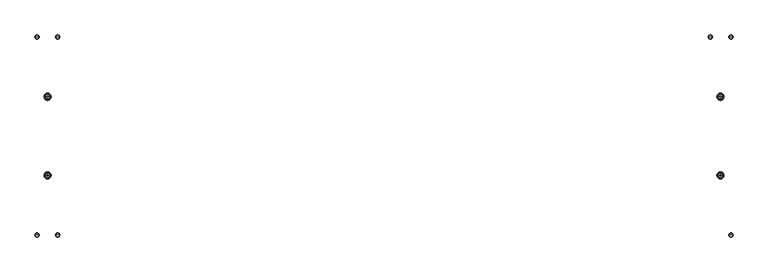
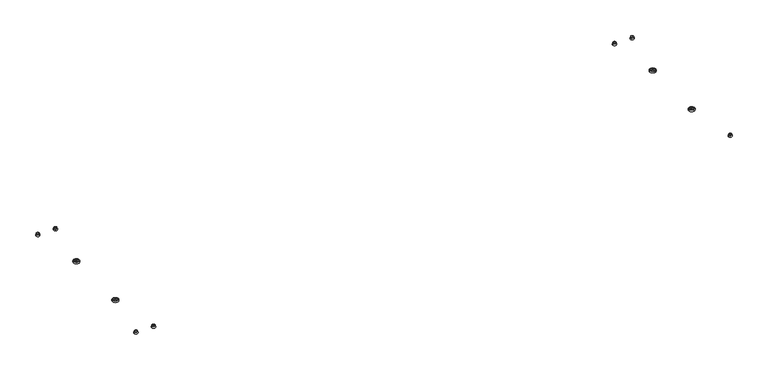
"""IFC4 building model written with IfcOpenShell, lengths in millimetres: furniture geometry."""

from ifc_helpers import new_model, si_unit, point, frame, origin, place, context, project, spatial, polyline, circle_curve, ellipse_curve, trimmed, source, transform, mapped, element, save
from ifc_brep_helpers import plane_surface, cylinder_surface, revolved_surface, advanced_brep


def furniture_c0f4c3c8(model_context):
    return source(origin(), model_context, "Body", "AdvancedBrep", [
        advanced_brep(
        [(-1454.6011124, 171.2765566, 0.0), (-1475.5052411, 171.2765566, 0.0), (-1465.0531767, 171.2765566, 0.0), (-1450.6523116, 171.2765566, 1.6446239), (-1479.4540419, 171.2765566, 1.6446239), (-1450.6523116, 171.2765566, 8.3798159), (-1479.4540419, 171.2765566, 8.3798159), (-1454.0015257, 171.2765566, 9.7747202), (-1476.1048277, 171.2765566, 9.7747202), (-1462.0335936, 171.2765566, 9.7747202), (-1468.0727599, 171.2765566, 9.7747202), (-1462.0335936, 171.2765566, 13.2486394), (-1468.0727599, 171.2765566, 13.2486394), (-1465.0531767, 171.2765566, 13.2486394)],
        [
            (0, 1, circle_curve(frame((-1465.0531767, 171.2765566, 0.0), z_axis=(0.0, 0.0, -1.0), x_axis=(-1.0, 0.0, 0.0)), 10.4520643)),
            (1, 2),
            (2, 0),
            (1, 0, circle_curve(frame((-1465.0531767, 171.2765566, 0.0), z_axis=(0.0, 0.0, -1.0), x_axis=(-1.0, 0.0, 0.0)), 10.4520643)),
            (3, 4, circle_curve(frame((-1465.0531767, 171.2765566, 1.6446239), z_axis=(0.0, 0.0, -1.0), x_axis=(-1.0, 0.0, 0.0)), 14.4008652)),
            (4, 1),
            (0, 3),
            (4, 3, circle_curve(frame((-1465.0531767, 171.2765566, 1.6446239), z_axis=(0.0, 0.0, -1.0), x_axis=(-1.0, 0.0, 0.0)), 14.4008652)),
            (5, 6, circle_curve(frame((-1465.0531767, 171.2765566, 8.3798159), z_axis=(0.0, 0.0, -1.0), x_axis=(-1.0, 0.0, 0.0)), 14.4008652)),
            (6, 4, circle_curve(frame((-1476.0597586, 171.2765566, 5.0122199), z_axis=(0.0, -1.0, 0.0), x_axis=(1.0, 0.0, 0.0)), 4.7814079)),
            (3, 5, circle_curve(frame((-1454.0465949, 171.2765566, 5.0122199), z_axis=(0.0, -1.0, 0.0), x_axis=(-1.0, 0.0, 0.0)), 4.7814079)),
            (6, 5, circle_curve(frame((-1465.0531767, 171.2765566, 8.3798159), z_axis=(0.0, 0.0, -1.0), x_axis=(-1.0, 0.0, 0.0)), 14.4008652)),
            (7, 8, circle_curve(frame((-1465.0531767, 171.2765566, 9.7747202), z_axis=(0.0, 0.0, -1.0), x_axis=(-1.0, 0.0, 0.0)), 11.051651)),
            (8, 6),
            (5, 7),
            (8, 7, circle_curve(frame((-1465.0531767, 171.2765566, 9.7747202), z_axis=(0.0, 0.0, -1.0), x_axis=(-1.0, 0.0, 0.0)), 11.051651)),
            (9, 10, circle_curve(frame((-1465.0531767, 171.2765566, 9.7747202), z_axis=(0.0, 0.0, -1.0), x_axis=(-1.0, 0.0, 0.0)), 3.0195831)),
            (10, 8),
            (7, 9),
            (10, 9, circle_curve(frame((-1465.0531767, 171.2765566, 9.7747202), z_axis=(0.0, 0.0, -1.0), x_axis=(-1.0, 0.0, 0.0)), 3.0195831)),
            (11, 12, circle_curve(frame((-1465.0531767, 171.2765566, 13.2486394), z_axis=(0.0, 0.0, -1.0), x_axis=(-1.0, 0.0, 0.0)), 3.0195831)),
            (12, 10),
            (9, 11),
            (12, 11, circle_curve(frame((-1465.0531767, 171.2765566, 13.2486394), z_axis=(0.0, 0.0, -1.0), x_axis=(-1.0, 0.0, 0.0)), 3.0195831)),
            (13, 12),
            (11, 13),
        ],
        [
            plane_surface(frame((-1465.0531767, 171.2765566, 0.0), z_axis=(0.0, 0.0, -1.0), x_axis=(-1.0, 0.0, 0.0))),
            revolved_surface(polyline([(-1475.5052411, 171.2765566, 0.0), (-1479.4540419, 171.2765566, 1.6446239)]), (-1465.0531767, 171.2765566, 13.2486394), (0.0, 0.0, 1.0)),
            revolved_surface(trimmed(ellipse_curve(frame((-1476.0597586, 171.2765566, 5.0122199), z_axis=(0.0, 1.0, 0.0), x_axis=(1.0, 0.0, 0.0)), 4.7814079, 4.7814079), [point((-1479.4540419, 171.2765566, 1.6446239))], [point((-1479.4540419, 171.2765566, 8.3798159))], True, "CARTESIAN"), (-1465.0531767, 171.2765566, 13.2486394), (0.0, 0.0, 1.0)),
            revolved_surface(polyline([(-1479.4540419, 171.2765566, 8.3798159), (-1476.1048277, 171.2765566, 9.7747202)]), (-1465.0531767, 171.2765566, 13.2486394), (0.0, 0.0, 1.0)),
            plane_surface(frame((-1465.0531767, 171.2765566, 9.7747202), z_axis=(0.0, 0.0, 1.0), x_axis=(-1.0, 0.0, 0.0))),
            cylinder_surface(frame((-1465.0531767, 171.2765566, 13.2486394), z_axis=(0.0, 0.0, 1.0), x_axis=(-1.0, 0.0, 0.0)), 3.0195831),
            plane_surface(frame((-1465.0531767, 171.2765566, 13.2486394), z_axis=(0.0, 0.0, 1.0), x_axis=(-1.0, 0.0, 0.0))),
        ],
        [
            (0, [[1, 2, 3]]),
            (0, [[4, -3, -2]]),
            (1, [[5, 6, -1, 7]]),
            (1, [[8, -7, -4, -6]]),
            (2, [[9, 10, -5, 11]]),
            (2, [[12, -11, -8, -10]]),
            (3, [[13, 14, -9, 15]]),
            (3, [[16, -15, -12, -14]]),
            (4, [[17, 18, -13, 19]]),
            (4, [[20, -19, -16, -18]]),
            (5, [[21, 22, -17, 23]]),
            (5, [[24, -23, -20, -22]]),
            (6, [[25, -21, 26]]),
            (6, [[-26, -24, -25]]),
        ],
    ),
        advanced_brep(
        [(-1510.8031458, 432.0000014, 13.2486394), (-1517.8031546, 432.0000014, 13.2486394), (-1503.8031371, 432.0000014, 13.2486394), (-1506.144048, 432.0000014, 0.0), (-1515.4622436, 432.0000014, 0.0), (-1510.8031458, 432.0000014, 0.0), (-1502.8507243, 432.0000014, 1.394624), (-1518.7555674, 432.0000014, 1.394624), (-1502.8507243, 432.0000014, 8.1298158), (-1518.7555674, 432.0000014, 8.1298158), (-1506.6760347, 432.0000014, 9.7497206), (-1514.930257, 432.0000014, 9.7497206), (-1503.8031371, 432.0000014, 9.7497206), (-1517.8031546, 432.0000014, 9.7497206)],
        [
            (0, 1),
            (1, 2, circle_curve(frame((-1510.8031458, 432.0000014, 13.2486394), z_axis=(0.0, 0.0, 1.0), x_axis=(-1.0, 0.0, 0.0)), 7.0000088)),
            (2, 0),
            (2, 1, circle_curve(frame((-1510.8031458, 432.0000014, 13.2486394), z_axis=(0.0, 0.0, 1.0), x_axis=(-1.0, 0.0, 0.0)), 7.0000088)),
            (3, 4, circle_curve(frame((-1510.8031458, 432.0000014, 0.0), z_axis=(0.0, 0.0, -1.0), x_axis=(-1.0, 0.0, 0.0)), 4.6590978)),
            (4, 5),
            (5, 3),
            (4, 3, circle_curve(frame((-1510.8031458, 432.0000014, 0.0), z_axis=(0.0, 0.0, -1.0), x_axis=(-1.0, 0.0, 0.0)), 4.6590978)),
            (6, 7, circle_curve(frame((-1510.8031458, 432.0000014, 1.394624), z_axis=(0.0, 0.0, -1.0), x_axis=(-1.0, 0.0, 0.0)), 7.9524216)),
            (7, 4),
            (3, 6),
            (7, 6, circle_curve(frame((-1510.8031458, 432.0000014, 1.394624), z_axis=(0.0, 0.0, -1.0), x_axis=(-1.0, 0.0, 0.0)), 7.9524216)),
            (8, 9, circle_curve(frame((-1510.8031458, 432.0000014, 8.1298158), z_axis=(0.0, 0.0, -1.0), x_axis=(-1.0, 0.0, 0.0)), 7.9524216)),
            (9, 7, circle_curve(frame((-1515.2820202, 432.0000014, 4.7622199), z_axis=(0.0, -1.0, 0.0), x_axis=(1.0, 0.0, 0.0)), 4.8379988)),
            (6, 8, circle_curve(frame((-1506.3242715, 432.0000014, 4.7622199), z_axis=(0.0, -1.0, 0.0), x_axis=(-1.0, 0.0, 0.0)), 4.8379988)),
            (9, 8, circle_curve(frame((-1510.8031458, 432.0000014, 8.1298158), z_axis=(0.0, 0.0, -1.0), x_axis=(-1.0, 0.0, 0.0)), 7.9524216)),
            (10, 11, circle_curve(frame((-1510.8031458, 432.0000014, 9.7497206), z_axis=(0.0, 0.0, -1.0), x_axis=(-1.0, 0.0, 0.0)), 4.1271111)),
            (11, 9),
            (8, 10),
            (11, 10, circle_curve(frame((-1510.8031458, 432.0000014, 9.7497206), z_axis=(0.0, 0.0, -1.0), x_axis=(-1.0, 0.0, 0.0)), 4.1271111)),
            (12, 13, circle_curve(frame((-1510.8031458, 432.0000014, 9.7497206), z_axis=(0.0, 0.0, -1.0), x_axis=(-1.0, 0.0, 0.0)), 7.0000088)),
            (13, 11),
            (10, 12),
            (13, 12, circle_curve(frame((-1510.8031458, 432.0000014, 9.7497206), z_axis=(0.0, 0.0, -1.0), x_axis=(-1.0, 0.0, 0.0)), 7.0000088)),
            (1, 13),
            (12, 2),
        ],
        [
            plane_surface(frame((-1510.8031458, 432.0000014, 13.2486394), z_axis=(0.0, 0.0, 1.0), x_axis=(-1.0, 0.0, 0.0))),
            plane_surface(frame((-1510.8031458, 432.0000014, 0.0), z_axis=(0.0, 0.0, -1.0), x_axis=(-1.0, 0.0, 0.0))),
            revolved_surface(polyline([(-1515.4622436, 432.0000014, 0.0), (-1518.7555674, 432.0000014, 1.394624)]), (-1510.8031458, 432.0000014, 13.2486394), (0.0, 0.0, 1.0)),
            revolved_surface(trimmed(ellipse_curve(frame((-1515.2820202, 432.0000014, 4.7622199), z_axis=(0.0, 1.0, 0.0), x_axis=(1.0, 0.0, 0.0)), 4.8379988, 4.8379988), [point((-1518.7555674, 432.0000014, 1.394624))], [point((-1518.7555674, 432.0000014, 8.1298158))], True, "CARTESIAN"), (-1510.8031458, 432.0000014, 13.2486394), (0.0, 0.0, 1.0)),
            revolved_surface(polyline([(-1518.7555674, 432.0000014, 8.1298158), (-1514.930257, 432.0000014, 9.7497206)]), (-1510.8031458, 432.0000014, 13.2486394), (0.0, 0.0, 1.0)),
            plane_surface(frame((-1510.8031458, 432.0000014, 9.7497206), z_axis=(0.0, 0.0, -1.0), x_axis=(-1.0, 0.0, 0.0))),
            cylinder_surface(frame((-1510.8031458, 432.0000014, 13.2486394), z_axis=(0.0, 0.0, 1.0), x_axis=(-1.0, 0.0, 0.0)), 7.0000088),
        ],
        [
            (0, [[1, 2, 3]]),
            (0, [[-3, 4, -1]]),
            (1, [[5, 6, 7]]),
            (1, [[8, -7, -6]]),
            (2, [[9, 10, -5, 11]]),
            (2, [[12, -11, -8, -10]]),
            (3, [[13, 14, -9, 15]]),
            (3, [[16, -15, -12, -14]]),
            (4, [[17, 18, -13, 19]]),
            (4, [[20, -19, -16, -18]]),
            (5, [[21, 22, -17, 23]]),
            (5, [[24, -23, -20, -22]]),
            (6, [[-2, 25, -21, 26]]),
            (6, [[-4, -26, -24, -25]]),
        ],
    ),
        advanced_brep(
        [(-1421.3032309, 432.0000014, 13.2486394), (-1428.3032397, 432.0000014, 13.2486394), (-1414.3032221, 432.0000014, 13.2486394), (-1416.6441331, 432.0000014, 0.0), (-1425.9623287, 432.0000014, 0.0), (-1421.3032309, 432.0000014, 0.0), (-1413.3508093, 432.0000014, 1.394624), (-1429.2556525, 432.0000014, 1.394624), (-1413.3508093, 432.0000014, 8.1298158), (-1429.2556525, 432.0000014, 8.1298158), (-1417.1761198, 432.0000014, 9.7497206), (-1425.430342, 432.0000014, 9.7497206), (-1414.3032221, 432.0000014, 9.7497206), (-1428.3032397, 432.0000014, 9.7497206)],
        [
            (0, 1),
            (1, 2, circle_curve(frame((-1421.3032309, 432.0000014, 13.2486394), z_axis=(0.0, 0.0, 1.0), x_axis=(-1.0, 0.0, 0.0)), 7.0000088)),
            (2, 0),
            (2, 1, circle_curve(frame((-1421.3032309, 432.0000014, 13.2486394), z_axis=(0.0, 0.0, 1.0), x_axis=(-1.0, 0.0, 0.0)), 7.0000088)),
            (3, 4, circle_curve(frame((-1421.3032309, 432.0000014, 0.0), z_axis=(0.0, 0.0, -1.0), x_axis=(-1.0, 0.0, 0.0)), 4.6590978)),
            (4, 5),
            (5, 3),
            (4, 3, circle_curve(frame((-1421.3032309, 432.0000014, 0.0), z_axis=(0.0, 0.0, -1.0), x_axis=(-1.0, 0.0, 0.0)), 4.6590978)),
            (6, 7, circle_curve(frame((-1421.3032309, 432.0000014, 1.394624), z_axis=(0.0, 0.0, -1.0), x_axis=(-1.0, 0.0, 0.0)), 7.9524216)),
            (7, 4),
            (3, 6),
            (7, 6, circle_curve(frame((-1421.3032309, 432.0000014, 1.394624), z_axis=(0.0, 0.0, -1.0), x_axis=(-1.0, 0.0, 0.0)), 7.9524216)),
            (8, 9, circle_curve(frame((-1421.3032309, 432.0000014, 8.1298158), z_axis=(0.0, 0.0, -1.0), x_axis=(-1.0, 0.0, 0.0)), 7.9524216)),
            (9, 7, circle_curve(frame((-1425.7821053, 432.0000014, 4.7622199), z_axis=(0.0, -1.0, 0.0), x_axis=(1.0, 0.0, 0.0)), 4.8379988)),
            (6, 8, circle_curve(frame((-1416.8243565, 432.0000014, 4.7622199), z_axis=(0.0, -1.0, 0.0), x_axis=(-1.0, 0.0, 0.0)), 4.8379988)),
            (9, 8, circle_curve(frame((-1421.3032309, 432.0000014, 8.1298158), z_axis=(0.0, 0.0, -1.0), x_axis=(-1.0, 0.0, 0.0)), 7.9524216)),
            (10, 11, circle_curve(frame((-1421.3032309, 432.0000014, 9.7497206), z_axis=(0.0, 0.0, -1.0), x_axis=(-1.0, 0.0, 0.0)), 4.1271111)),
            (11, 9),
            (8, 10),
            (11, 10, circle_curve(frame((-1421.3032309, 432.0000014, 9.7497206), z_axis=(0.0, 0.0, -1.0), x_axis=(-1.0, 0.0, 0.0)), 4.1271111)),
            (12, 13, circle_curve(frame((-1421.3032309, 432.0000014, 9.7497206), z_axis=(0.0, 0.0, -1.0), x_axis=(-1.0, 0.0, 0.0)), 7.0000088)),
            (13, 11),
            (10, 12),
            (13, 12, circle_curve(frame((-1421.3032309, 432.0000014, 9.7497206), z_axis=(0.0, 0.0, -1.0), x_axis=(-1.0, 0.0, 0.0)), 7.0000088)),
            (1, 13),
            (12, 2),
        ],
        [
            plane_surface(frame((-1421.3032309, 432.0000014, 13.2486394), z_axis=(0.0, 0.0, 1.0), x_axis=(-1.0, 0.0, 0.0))),
            plane_surface(frame((-1421.3032309, 432.0000014, 0.0), z_axis=(0.0, 0.0, -1.0), x_axis=(-1.0, 0.0, 0.0))),
            revolved_surface(polyline([(-1425.9623287, 432.0000014, 0.0), (-1429.2556525, 432.0000014, 1.394624)]), (-1421.3032309, 432.0000014, 13.2486394), (0.0, 0.0, 1.0)),
            revolved_surface(trimmed(ellipse_curve(frame((-1425.7821053, 432.0000014, 4.7622199), z_axis=(0.0, 1.0, 0.0), x_axis=(1.0, 0.0, 0.0)), 4.8379988, 4.8379988), [point((-1429.2556525, 432.0000014, 1.394624))], [point((-1429.2556525, 432.0000014, 8.1298158))], True, "CARTESIAN"), (-1421.3032309, 432.0000014, 13.2486394), (0.0, 0.0, 1.0)),
            revolved_surface(polyline([(-1429.2556525, 432.0000014, 8.1298158), (-1425.430342, 432.0000014, 9.7497206)]), (-1421.3032309, 432.0000014, 13.2486394), (0.0, 0.0, 1.0)),
            plane_surface(frame((-1421.3032309, 432.0000014, 9.7497206), z_axis=(0.0, 0.0, -1.0), x_axis=(-1.0, 0.0, 0.0))),
            cylinder_surface(frame((-1421.3032309, 432.0000014, 13.2486394), z_axis=(0.0, 0.0, 1.0), x_axis=(-1.0, 0.0, 0.0)), 7.0000088),
        ],
        [
            (0, [[1, 2, 3]]),
            (0, [[-3, 4, -1]]),
            (1, [[5, 6, 7]]),
            (1, [[8, -7, -6]]),
            (2, [[9, 10, -5, 11]]),
            (2, [[12, -11, -8, -10]]),
            (3, [[13, 14, -9, 15]]),
            (3, [[16, -15, -12, -14]]),
            (4, [[17, 18, -13, 19]]),
            (4, [[20, -19, -16, -18]]),
            (5, [[21, 22, -17, 23]]),
            (5, [[24, -23, -20, -22]]),
            (6, [[-2, 25, -21, 26]]),
            (6, [[-4, -26, -24, -25]]),
        ],
    ),
        advanced_brep(
        [(-1454.6011124, -171.6234434, 0.0), (-1475.5052411, -171.6234434, 0.0), (-1465.0531767, -171.6234434, 0.0), (-1450.6523116, -171.6234434, 1.6446239), (-1479.4540419, -171.6234434, 1.6446239), (-1450.6523116, -171.6234434, 8.3798159), (-1479.4540419, -171.6234434, 8.3798159), (-1454.0015257, -171.6234434, 9.7747202), (-1476.1048277, -171.6234434, 9.7747202), (-1462.0335936, -171.6234434, 9.7747202), (-1468.0727599, -171.6234434, 9.7747202), (-1462.0335936, -171.6234434, 13.2486394), (-1468.0727599, -171.6234434, 13.2486394), (-1465.0531767, -171.6234434, 13.2486394)],
        [
            (0, 1, circle_curve(frame((-1465.0531767, -171.6234434, 0.0), z_axis=(0.0, 0.0, -1.0), x_axis=(-1.0, 0.0, 0.0)), 10.4520643)),
            (1, 2),
            (2, 0),
            (1, 0, circle_curve(frame((-1465.0531767, -171.6234434, 0.0), z_axis=(0.0, 0.0, -1.0), x_axis=(-1.0, 0.0, 0.0)), 10.4520643)),
            (3, 4, circle_curve(frame((-1465.0531767, -171.6234434, 1.6446239), z_axis=(0.0, 0.0, -1.0), x_axis=(-1.0, 0.0, 0.0)), 14.4008652)),
            (4, 1),
            (0, 3),
            (4, 3, circle_curve(frame((-1465.0531767, -171.6234434, 1.6446239), z_axis=(0.0, 0.0, -1.0), x_axis=(-1.0, 0.0, 0.0)), 14.4008652)),
            (5, 6, circle_curve(frame((-1465.0531767, -171.6234434, 8.3798159), z_axis=(0.0, 0.0, -1.0), x_axis=(-1.0, 0.0, 0.0)), 14.4008652)),
            (6, 4, circle_curve(frame((-1476.0597586, -171.6234434, 5.0122199), z_axis=(0.0, -1.0, 0.0), x_axis=(1.0, 0.0, 0.0)), 4.7814079)),
            (3, 5, circle_curve(frame((-1454.0465949, -171.6234434, 5.0122199), z_axis=(0.0, -1.0, 0.0), x_axis=(-1.0, 0.0, 0.0)), 4.7814079)),
            (6, 5, circle_curve(frame((-1465.0531767, -171.6234434, 8.3798159), z_axis=(0.0, 0.0, -1.0), x_axis=(-1.0, 0.0, 0.0)), 14.4008652)),
            (7, 8, circle_curve(frame((-1465.0531767, -171.6234434, 9.7747202), z_axis=(0.0, 0.0, -1.0), x_axis=(-1.0, 0.0, 0.0)), 11.051651)),
            (8, 6),
            (5, 7),
            (8, 7, circle_curve(frame((-1465.0531767, -171.6234434, 9.7747202), z_axis=(0.0, 0.0, -1.0), x_axis=(-1.0, 0.0, 0.0)), 11.051651)),
            (9, 10, circle_curve(frame((-1465.0531767, -171.6234434, 9.7747202), z_axis=(0.0, 0.0, -1.0), x_axis=(-1.0, 0.0, 0.0)), 3.0195831)),
            (10, 8),
            (7, 9),
            (10, 9, circle_curve(frame((-1465.0531767, -171.6234434, 9.7747202), z_axis=(0.0, 0.0, -1.0), x_axis=(-1.0, 0.0, 0.0)), 3.0195831)),
            (11, 12, circle_curve(frame((-1465.0531767, -171.6234434, 13.2486394), z_axis=(0.0, 0.0, -1.0), x_axis=(-1.0, 0.0, 0.0)), 3.0195831)),
            (12, 10),
            (9, 11),
            (12, 11, circle_curve(frame((-1465.0531767, -171.6234434, 13.2486394), z_axis=(0.0, 0.0, -1.0), x_axis=(-1.0, 0.0, 0.0)), 3.0195831)),
            (13, 12),
            (11, 13),
        ],
        [
            plane_surface(frame((-1465.0531767, -171.6234434, 0.0), z_axis=(0.0, 0.0, -1.0), x_axis=(-1.0, 0.0, 0.0))),
            revolved_surface(polyline([(-1475.5052411, -171.6234434, 0.0), (-1479.4540419, -171.6234434, 1.6446239)]), (-1465.0531767, -171.6234434, 13.2486394), (0.0, 0.0, 1.0)),
            revolved_surface(trimmed(ellipse_curve(frame((-1476.0597586, -171.6234434, 5.0122199), z_axis=(0.0, 1.0, 0.0), x_axis=(1.0, 0.0, 0.0)), 4.7814079, 4.7814079), [point((-1479.4540419, -171.6234434, 1.6446239))], [point((-1479.4540419, -171.6234434, 8.3798159))], True, "CARTESIAN"), (-1465.0531767, -171.6234434, 13.2486394), (0.0, 0.0, 1.0)),
            revolved_surface(polyline([(-1479.4540419, -171.6234434, 8.3798159), (-1476.1048277, -171.6234434, 9.7747202)]), (-1465.0531767, -171.6234434, 13.2486394), (0.0, 0.0, 1.0)),
            plane_surface(frame((-1465.0531767, -171.6234434, 9.7747202), z_axis=(0.0, 0.0, 1.0), x_axis=(-1.0, 0.0, 0.0))),
            cylinder_surface(frame((-1465.0531767, -171.6234434, 13.2486394), z_axis=(0.0, 0.0, 1.0), x_axis=(-1.0, 0.0, 0.0)), 3.0195831),
            plane_surface(frame((-1465.0531767, -171.6234434, 13.2486394), z_axis=(0.0, 0.0, 1.0), x_axis=(-1.0, 0.0, 0.0))),
        ],
        [
            (0, [[1, 2, 3]]),
            (0, [[4, -3, -2]]),
            (1, [[5, 6, -1, 7]]),
            (1, [[8, -7, -4, -6]]),
            (2, [[9, 10, -5, 11]]),
            (2, [[12, -11, -8, -10]]),
            (3, [[13, 14, -9, 15]]),
            (3, [[16, -15, -12, -14]]),
            (4, [[17, 18, -13, 19]]),
            (4, [[20, -19, -16, -18]]),
            (5, [[21, 22, -17, 23]]),
            (5, [[24, -23, -20, -22]]),
            (6, [[25, -21, 26]]),
            (6, [[-26, -24, -25]]),
        ],
    ),
        advanced_brep(
        [(-1510.8031458, -431.9999999, 13.2486394), (-1517.8031546, -431.9999999, 13.2486394), (-1503.8031371, -431.9999999, 13.2486394), (-1506.144048, -431.9999999, 0.0), (-1515.4622436, -431.9999999, 0.0), (-1510.8031458, -431.9999999, 0.0), (-1502.8507243, -431.9999999, 1.394624), (-1518.7555674, -431.9999999, 1.394624), (-1502.8507243, -431.9999999, 8.1298158), (-1518.7555674, -431.9999999, 8.1298158), (-1506.6760347, -431.9999999, 9.7497206), (-1514.930257, -431.9999999, 9.7497206), (-1503.8031371, -431.9999999, 9.7497206), (-1517.8031546, -431.9999999, 9.7497206)],
        [
            (0, 1),
            (1, 2, circle_curve(frame((-1510.8031458, -431.9999999, 13.2486394), z_axis=(0.0, 0.0, 1.0), x_axis=(-1.0, 0.0, 0.0)), 7.0000088)),
            (2, 0),
            (2, 1, circle_curve(frame((-1510.8031458, -431.9999999, 13.2486394), z_axis=(0.0, 0.0, 1.0), x_axis=(-1.0, 0.0, 0.0)), 7.0000088)),
            (3, 4, circle_curve(frame((-1510.8031458, -431.9999999, 0.0), z_axis=(0.0, 0.0, -1.0), x_axis=(-1.0, 0.0, 0.0)), 4.6590978)),
            (4, 5),
            (5, 3),
            (4, 3, circle_curve(frame((-1510.8031458, -431.9999999, 0.0), z_axis=(0.0, 0.0, -1.0), x_axis=(-1.0, 0.0, 0.0)), 4.6590978)),
            (6, 7, circle_curve(frame((-1510.8031458, -431.9999999, 1.394624), z_axis=(0.0, 0.0, -1.0), x_axis=(-1.0, 0.0, 0.0)), 7.9524216)),
            (7, 4),
            (3, 6),
            (7, 6, circle_curve(frame((-1510.8031458, -431.9999999, 1.394624), z_axis=(0.0, 0.0, -1.0), x_axis=(-1.0, 0.0, 0.0)), 7.9524216)),
            (8, 9, circle_curve(frame((-1510.8031458, -431.9999999, 8.1298158), z_axis=(0.0, 0.0, -1.0), x_axis=(-1.0, 0.0, 0.0)), 7.9524216)),
            (9, 7, circle_curve(frame((-1515.2820202, -431.9999999, 4.7622199), z_axis=(0.0, -1.0, 0.0), x_axis=(1.0, 0.0, 0.0)), 4.8379988)),
            (6, 8, circle_curve(frame((-1506.3242715, -431.9999999, 4.7622199), z_axis=(0.0, -1.0, 0.0), x_axis=(-1.0, 0.0, 0.0)), 4.8379988)),
            (9, 8, circle_curve(frame((-1510.8031458, -431.9999999, 8.1298158), z_axis=(0.0, 0.0, -1.0), x_axis=(-1.0, 0.0, 0.0)), 7.9524216)),
            (10, 11, circle_curve(frame((-1510.8031458, -431.9999999, 9.7497206), z_axis=(0.0, 0.0, -1.0), x_axis=(-1.0, 0.0, 0.0)), 4.1271111)),
            (11, 9),
            (8, 10),
            (11, 10, circle_curve(frame((-1510.8031458, -431.9999999, 9.7497206), z_axis=(0.0, 0.0, -1.0), x_axis=(-1.0, 0.0, 0.0)), 4.1271111)),
            (12, 13, circle_curve(frame((-1510.8031458, -431.9999999, 9.7497206), z_axis=(0.0, 0.0, -1.0), x_axis=(-1.0, 0.0, 0.0)), 7.0000088)),
            (13, 11),
            (10, 12),
            (13, 12, circle_curve(frame((-1510.8031458, -431.9999999, 9.7497206), z_axis=(0.0, 0.0, -1.0), x_axis=(-1.0, 0.0, 0.0)), 7.0000088)),
            (1, 13),
            (12, 2),
        ],
        [
            plane_surface(frame((-1510.8031458, -431.9999999, 13.2486394), z_axis=(0.0, 0.0, 1.0), x_axis=(-1.0, 0.0, 0.0))),
            plane_surface(frame((-1510.8031458, -431.9999999, 0.0), z_axis=(0.0, 0.0, -1.0), x_axis=(-1.0, 0.0, 0.0))),
            revolved_surface(polyline([(-1515.4622436, -431.9999999, 0.0), (-1518.7555674, -431.9999999, 1.394624)]), (-1510.8031458, -431.9999999, 13.2486394), (0.0, 0.0, 1.0)),
            revolved_surface(trimmed(ellipse_curve(frame((-1515.2820202, -431.9999999, 4.7622199), z_axis=(0.0, 1.0, 0.0), x_axis=(1.0, 0.0, 0.0)), 4.8379988, 4.8379988), [point((-1518.7555674, -431.9999999, 1.394624))], [point((-1518.7555674, -431.9999999, 8.1298158))], True, "CARTESIAN"), (-1510.8031458, -431.9999999, 13.2486394), (0.0, 0.0, 1.0)),
            revolved_surface(polyline([(-1518.7555674, -431.9999999, 8.1298158), (-1514.930257, -431.9999999, 9.7497206)]), (-1510.8031458, -431.9999999, 13.2486394), (0.0, 0.0, 1.0)),
            plane_surface(frame((-1510.8031458, -431.9999999, 9.7497206), z_axis=(0.0, 0.0, -1.0), x_axis=(-1.0, 0.0, 0.0))),
            cylinder_surface(frame((-1510.8031458, -431.9999999, 13.2486394), z_axis=(0.0, 0.0, 1.0), x_axis=(-1.0, 0.0, 0.0)), 7.0000088),
        ],
        [
            (0, [[1, 2, 3]]),
            (0, [[-3, 4, -1]]),
            (1, [[5, 6, 7]]),
            (1, [[8, -7, -6]]),
            (2, [[9, 10, -5, 11]]),
            (2, [[12, -11, -8, -10]]),
            (3, [[13, 14, -9, 15]]),
            (3, [[16, -15, -12, -14]]),
            (4, [[17, 18, -13, 19]]),
            (4, [[20, -19, -16, -18]]),
            (5, [[21, 22, -17, 23]]),
            (5, [[24, -23, -20, -22]]),
            (6, [[-2, 25, -21, 26]]),
            (6, [[-4, -26, -24, -25]]),
        ],
    ),
        advanced_brep(
        [(-1421.3032309, -431.9999999, 13.2486394), (-1428.3032397, -431.9999999, 13.2486394), (-1414.3032221, -431.9999999, 13.2486394), (-1416.6441331, -431.9999999, 0.0), (-1425.9623287, -431.9999999, 0.0), (-1421.3032309, -431.9999999, 0.0), (-1413.3508093, -431.9999999, 1.394624), (-1429.2556525, -431.9999999, 1.394624), (-1413.3508093, -431.9999999, 8.1298158), (-1429.2556525, -431.9999999, 8.1298158), (-1417.1761198, -431.9999999, 9.7497206), (-1425.430342, -431.9999999, 9.7497206), (-1414.3032221, -431.9999999, 9.7497206), (-1428.3032397, -431.9999999, 9.7497206)],
        [
            (0, 1),
            (1, 2, circle_curve(frame((-1421.3032309, -431.9999999, 13.2486394), z_axis=(0.0, 0.0, 1.0), x_axis=(-1.0, 0.0, 0.0)), 7.0000088)),
            (2, 0),
            (2, 1, circle_curve(frame((-1421.3032309, -431.9999999, 13.2486394), z_axis=(0.0, 0.0, 1.0), x_axis=(-1.0, 0.0, 0.0)), 7.0000088)),
            (3, 4, circle_curve(frame((-1421.3032309, -431.9999999, 0.0), z_axis=(0.0, 0.0, -1.0), x_axis=(-1.0, 0.0, 0.0)), 4.6590978)),
            (4, 5),
            (5, 3),
            (4, 3, circle_curve(frame((-1421.3032309, -431.9999999, 0.0), z_axis=(0.0, 0.0, -1.0), x_axis=(-1.0, 0.0, 0.0)), 4.6590978)),
            (6, 7, circle_curve(frame((-1421.3032309, -431.9999999, 1.394624), z_axis=(0.0, 0.0, -1.0), x_axis=(-1.0, 0.0, 0.0)), 7.9524216)),
            (7, 4),
            (3, 6),
            (7, 6, circle_curve(frame((-1421.3032309, -431.9999999, 1.394624), z_axis=(0.0, 0.0, -1.0), x_axis=(-1.0, 0.0, 0.0)), 7.9524216)),
            (8, 9, circle_curve(frame((-1421.3032309, -431.9999999, 8.1298158), z_axis=(0.0, 0.0, -1.0), x_axis=(-1.0, 0.0, 0.0)), 7.9524216)),
            (9, 7, circle_curve(frame((-1425.7821053, -431.9999999, 4.7622199), z_axis=(0.0, -1.0, 0.0), x_axis=(1.0, 0.0, 0.0)), 4.8379988)),
            (6, 8, circle_curve(frame((-1416.8243565, -431.9999999, 4.7622199), z_axis=(0.0, -1.0, 0.0), x_axis=(-1.0, 0.0, 0.0)), 4.8379988)),
            (9, 8, circle_curve(frame((-1421.3032309, -431.9999999, 8.1298158), z_axis=(0.0, 0.0, -1.0), x_axis=(-1.0, 0.0, 0.0)), 7.9524216)),
            (10, 11, circle_curve(frame((-1421.3032309, -431.9999999, 9.7497206), z_axis=(0.0, 0.0, -1.0), x_axis=(-1.0, 0.0, 0.0)), 4.1271111)),
            (11, 9),
            (8, 10),
            (11, 10, circle_curve(frame((-1421.3032309, -431.9999999, 9.7497206), z_axis=(0.0, 0.0, -1.0), x_axis=(-1.0, 0.0, 0.0)), 4.1271111)),
            (12, 13, circle_curve(frame((-1421.3032309, -431.9999999, 9.7497206), z_axis=(0.0, 0.0, -1.0), x_axis=(-1.0, 0.0, 0.0)), 7.0000088)),
            (13, 11),
            (10, 12),
            (13, 12, circle_curve(frame((-1421.3032309, -431.9999999, 9.7497206), z_axis=(0.0, 0.0, -1.0), x_axis=(-1.0, 0.0, 0.0)), 7.0000088)),
            (1, 13),
            (12, 2),
        ],
        [
            plane_surface(frame((-1421.3032309, -431.9999999, 13.2486394), z_axis=(0.0, 0.0, 1.0), x_axis=(-1.0, 0.0, 0.0))),
            plane_surface(frame((-1421.3032309, -431.9999999, 0.0), z_axis=(0.0, 0.0, -1.0), x_axis=(-1.0, 0.0, 0.0))),
            revolved_surface(polyline([(-1425.9623287, -431.9999999, 0.0), (-1429.2556525, -431.9999999, 1.394624)]), (-1421.3032309, -431.9999999, 13.2486394), (0.0, 0.0, 1.0)),
            revolved_surface(trimmed(ellipse_curve(frame((-1425.7821053, -431.9999999, 4.7622199), z_axis=(0.0, 1.0, 0.0), x_axis=(1.0, 0.0, 0.0)), 4.8379988, 4.8379988), [point((-1429.2556525, -431.9999999, 1.394624))], [point((-1429.2556525, -431.9999999, 8.1298158))], True, "CARTESIAN"), (-1421.3032309, -431.9999999, 13.2486394), (0.0, 0.0, 1.0)),
            revolved_surface(polyline([(-1429.2556525, -431.9999999, 8.1298158), (-1425.430342, -431.9999999, 9.7497206)]), (-1421.3032309, -431.9999999, 13.2486394), (0.0, 0.0, 1.0)),
            plane_surface(frame((-1421.3032309, -431.9999999, 9.7497206), z_axis=(0.0, 0.0, -1.0), x_axis=(-1.0, 0.0, 0.0))),
            cylinder_surface(frame((-1421.3032309, -431.9999999, 13.2486394), z_axis=(0.0, 0.0, 1.0), x_axis=(-1.0, 0.0, 0.0)), 7.0000088),
        ],
        [
            (0, [[1, 2, 3]]),
            (0, [[-3, 4, -1]]),
            (1, [[5, 6, 7]]),
            (1, [[8, -7, -6]]),
            (2, [[9, 10, -5, 11]]),
            (2, [[12, -11, -8, -10]]),
            (3, [[13, 14, -9, 15]]),
            (3, [[16, -15, -12, -14]]),
            (4, [[17, 18, -13, 19]]),
            (4, [[20, -19, -16, -18]]),
            (5, [[21, 22, -17, 23]]),
            (5, [[24, -23, -20, -22]]),
            (6, [[-2, 25, -21, 26]]),
            (6, [[-4, -26, -24, -25]]),
        ],
    ),
        advanced_brep(
        [(1465.0531767, 171.2765566, 0.0), (1475.5052411, 171.2765566, 0.0), (1454.6011124, 171.2765566, 0.0), (1479.4540419, 171.2765566, 1.6446239), (1450.6523116, 171.2765566, 1.6446239), (1479.4540419, 171.2765566, 8.3798159), (1450.6523116, 171.2765566, 8.3798159), (1476.1048277, 171.2765566, 9.7747202), (1454.0015257, 171.2765566, 9.7747202), (1468.0727599, 171.2765566, 9.7747202), (1462.0335936, 171.2765566, 9.7747202), (1468.0727599, 171.2765566, 13.2486394), (1462.0335936, 171.2765566, 13.2486394), (1465.0531767, 171.2765566, 13.2486394)],
        [
            (0, 1),
            (1, 2, circle_curve(frame((1465.0531767, 171.2765566, 0.0), z_axis=(0.0, 0.0, -1.0), x_axis=(1.0, 0.0, 0.0)), 10.4520643)),
            (2, 0),
            (2, 1, circle_curve(frame((1465.0531767, 171.2765566, 0.0), z_axis=(0.0, 0.0, -1.0), x_axis=(1.0, 0.0, 0.0)), 10.4520643)),
            (1, 3),
            (3, 4, circle_curve(frame((1465.0531767, 171.2765566, 1.6446239), z_axis=(0.0, 0.0, -1.0), x_axis=(1.0, 0.0, 0.0)), 14.4008652)),
            (4, 2),
            (4, 3, circle_curve(frame((1465.0531767, 171.2765566, 1.6446239), z_axis=(0.0, 0.0, -1.0), x_axis=(1.0, 0.0, 0.0)), 14.4008652)),
            (3, 5, circle_curve(frame((1476.0597586, 171.2765566, 5.0122199), z_axis=(0.0, -1.0, 0.0), x_axis=(-1.0, 0.0, 0.0)), 4.7814079)),
            (5, 6, circle_curve(frame((1465.0531767, 171.2765566, 8.3798159), z_axis=(0.0, 0.0, -1.0), x_axis=(1.0, 0.0, 0.0)), 14.4008652)),
            (6, 4, circle_curve(frame((1454.0465949, 171.2765566, 5.0122199), z_axis=(0.0, -1.0, 0.0), x_axis=(1.0, 0.0, 0.0)), 4.7814079)),
            (6, 5, circle_curve(frame((1465.0531767, 171.2765566, 8.3798159), z_axis=(0.0, 0.0, -1.0), x_axis=(1.0, 0.0, 0.0)), 14.4008652)),
            (5, 7),
            (7, 8, circle_curve(frame((1465.0531767, 171.2765566, 9.7747202), z_axis=(0.0, 0.0, -1.0), x_axis=(1.0, 0.0, 0.0)), 11.051651)),
            (8, 6),
            (8, 7, circle_curve(frame((1465.0531767, 171.2765566, 9.7747202), z_axis=(0.0, 0.0, -1.0), x_axis=(1.0, 0.0, 0.0)), 11.051651)),
            (7, 9),
            (9, 10, circle_curve(frame((1465.0531767, 171.2765566, 9.7747202), z_axis=(0.0, 0.0, -1.0), x_axis=(1.0, 0.0, 0.0)), 3.0195831)),
            (10, 8),
            (10, 9, circle_curve(frame((1465.0531767, 171.2765566, 9.7747202), z_axis=(0.0, 0.0, -1.0), x_axis=(1.0, 0.0, 0.0)), 3.0195831)),
            (9, 11),
            (11, 12, circle_curve(frame((1465.0531767, 171.2765566, 13.2486394), z_axis=(0.0, 0.0, -1.0), x_axis=(1.0, 0.0, 0.0)), 3.0195831)),
            (12, 10),
            (12, 11, circle_curve(frame((1465.0531767, 171.2765566, 13.2486394), z_axis=(0.0, 0.0, -1.0), x_axis=(1.0, 0.0, 0.0)), 3.0195831)),
            (11, 13),
            (13, 12),
        ],
        [
            plane_surface(frame((1465.0531767, 171.2765566, 0.0), z_axis=(0.0, 0.0, -1.0), x_axis=(1.0, 0.0, 0.0))),
            revolved_surface(polyline([(1479.4540419, 171.2765566, 1.6446239), (1475.5052411, 171.2765566, 0.0)]), (1465.0531767, 171.2765566, 13.2486394), (0.0, 0.0, -1.0)),
            revolved_surface(trimmed(ellipse_curve(frame((1476.0597586, 171.2765566, 5.0122199), z_axis=(0.0, 1.0, 0.0), x_axis=(-1.0, 0.0, 0.0)), 4.7814079, 4.7814079), [point((1479.4540419, 171.2765566, 8.3798159))], [point((1479.4540419, 171.2765566, 1.6446239))], True, "CARTESIAN"), (1465.0531767, 171.2765566, 13.2486394), (0.0, 0.0, -1.0)),
            revolved_surface(polyline([(1476.1048277, 171.2765566, 9.7747202), (1479.4540419, 171.2765566, 8.3798159)]), (1465.0531767, 171.2765566, 13.2486394), (0.0, 0.0, -1.0)),
            plane_surface(frame((1465.0531767, 171.2765566, 9.7747202), z_axis=(0.0, 0.0, 1.0), x_axis=(1.0, 0.0, 0.0))),
            cylinder_surface(frame((1465.0531767, 171.2765566, 13.2486394), z_axis=(0.0, 0.0, -1.0), x_axis=(1.0, 0.0, 0.0)), 3.0195831),
            plane_surface(frame((1465.0531767, 171.2765566, 13.2486394), z_axis=(0.0, 0.0, 1.0), x_axis=(1.0, 0.0, 0.0))),
        ],
        [
            (0, [[1, 2, 3]]),
            (0, [[-3, 4, -1]]),
            (1, [[-2, 5, 6, 7]]),
            (1, [[-4, -7, 8, -5]]),
            (2, [[-6, 9, 10, 11]]),
            (2, [[-8, -11, 12, -9]]),
            (3, [[-10, 13, 14, 15]]),
            (3, [[-12, -15, 16, -13]]),
            (4, [[-14, 17, 18, 19]]),
            (4, [[-16, -19, 20, -17]]),
            (5, [[-18, 21, 22, 23]]),
            (5, [[-20, -23, 24, -21]]),
            (6, [[-22, 25, 26]]),
            (6, [[-24, -26, -25]]),
        ],
    ),
        advanced_brep(
        [(1503.8031371, 432.0000014, 13.2486394), (1517.8031546, 432.0000014, 13.2486394), (1510.8031458, 432.0000014, 13.2486394), (1510.8031458, 432.0000014, 0.0), (1515.4622436, 432.0000014, 0.0), (1506.144048, 432.0000014, 0.0), (1518.7555674, 432.0000014, 1.394624), (1502.8507243, 432.0000014, 1.394624), (1518.7555674, 432.0000014, 8.1298158), (1502.8507243, 432.0000014, 8.1298158), (1514.930257, 432.0000014, 9.7497206), (1506.6760347, 432.0000014, 9.7497206), (1517.8031546, 432.0000014, 9.7497206), (1503.8031371, 432.0000014, 9.7497206)],
        [
            (0, 1, circle_curve(frame((1510.8031458, 432.0000014, 13.2486394), z_axis=(0.0, 0.0, 1.0), x_axis=(1.0, 0.0, 0.0)), 7.0000088)),
            (1, 2),
            (2, 0),
            (1, 0, circle_curve(frame((1510.8031458, 432.0000014, 13.2486394), z_axis=(0.0, 0.0, 1.0), x_axis=(1.0, 0.0, 0.0)), 7.0000088)),
            (3, 4),
            (4, 5, circle_curve(frame((1510.8031458, 432.0000014, 0.0), z_axis=(0.0, 0.0, -1.0), x_axis=(1.0, 0.0, 0.0)), 4.6590978)),
            (5, 3),
            (5, 4, circle_curve(frame((1510.8031458, 432.0000014, 0.0), z_axis=(0.0, 0.0, -1.0), x_axis=(1.0, 0.0, 0.0)), 4.6590978)),
            (4, 6),
            (6, 7, circle_curve(frame((1510.8031458, 432.0000014, 1.394624), z_axis=(0.0, 0.0, -1.0), x_axis=(1.0, 0.0, 0.0)), 7.9524216)),
            (7, 5),
            (7, 6, circle_curve(frame((1510.8031458, 432.0000014, 1.394624), z_axis=(0.0, 0.0, -1.0), x_axis=(1.0, 0.0, 0.0)), 7.9524216)),
            (6, 8, circle_curve(frame((1515.2820202, 432.0000014, 4.7622199), z_axis=(0.0, -1.0, 0.0), x_axis=(-1.0, 0.0, 0.0)), 4.8379988)),
            (8, 9, circle_curve(frame((1510.8031458, 432.0000014, 8.1298158), z_axis=(0.0, 0.0, -1.0), x_axis=(1.0, 0.0, 0.0)), 7.9524216)),
            (9, 7, circle_curve(frame((1506.3242715, 432.0000014, 4.7622199), z_axis=(0.0, -1.0, 0.0), x_axis=(1.0, 0.0, 0.0)), 4.8379988)),
            (9, 8, circle_curve(frame((1510.8031458, 432.0000014, 8.1298158), z_axis=(0.0, 0.0, -1.0), x_axis=(1.0, 0.0, 0.0)), 7.9524216)),
            (8, 10),
            (10, 11, circle_curve(frame((1510.8031458, 432.0000014, 9.7497206), z_axis=(0.0, 0.0, -1.0), x_axis=(1.0, 0.0, 0.0)), 4.1271111)),
            (11, 9),
            (11, 10, circle_curve(frame((1510.8031458, 432.0000014, 9.7497206), z_axis=(0.0, 0.0, -1.0), x_axis=(1.0, 0.0, 0.0)), 4.1271111)),
            (10, 12),
            (12, 13, circle_curve(frame((1510.8031458, 432.0000014, 9.7497206), z_axis=(0.0, 0.0, -1.0), x_axis=(1.0, 0.0, 0.0)), 7.0000088)),
            (13, 11),
            (13, 12, circle_curve(frame((1510.8031458, 432.0000014, 9.7497206), z_axis=(0.0, 0.0, -1.0), x_axis=(1.0, 0.0, 0.0)), 7.0000088)),
            (12, 1),
            (0, 13),
        ],
        [
            plane_surface(frame((1510.8031458, 432.0000014, 13.2486394), z_axis=(0.0, 0.0, 1.0), x_axis=(1.0, 0.0, 0.0))),
            plane_surface(frame((1510.8031458, 432.0000014, 0.0), z_axis=(0.0, 0.0, -1.0), x_axis=(1.0, 0.0, 0.0))),
            revolved_surface(polyline([(1518.7555674, 432.0000014, 1.394624), (1515.4622436, 432.0000014, 0.0)]), (1510.8031458, 432.0000014, 13.2486394), (0.0, 0.0, -1.0)),
            revolved_surface(trimmed(ellipse_curve(frame((1515.2820202, 432.0000014, 4.7622199), z_axis=(0.0, 1.0, 0.0), x_axis=(-1.0, 0.0, 0.0)), 4.8379988, 4.8379988), [point((1518.7555674, 432.0000014, 8.1298158))], [point((1518.7555674, 432.0000014, 1.394624))], True, "CARTESIAN"), (1510.8031458, 432.0000014, 13.2486394), (0.0, 0.0, -1.0)),
            revolved_surface(polyline([(1514.930257, 432.0000014, 9.7497206), (1518.7555674, 432.0000014, 8.1298158)]), (1510.8031458, 432.0000014, 13.2486394), (0.0, 0.0, -1.0)),
            plane_surface(frame((1510.8031458, 432.0000014, 9.7497206), z_axis=(0.0, 0.0, -1.0), x_axis=(1.0, 0.0, 0.0))),
            cylinder_surface(frame((1510.8031458, 432.0000014, 13.2486394), z_axis=(0.0, 0.0, -1.0), x_axis=(1.0, 0.0, 0.0)), 7.0000088),
        ],
        [
            (0, [[1, 2, 3]]),
            (0, [[4, -3, -2]]),
            (1, [[5, 6, 7]]),
            (1, [[-7, 8, -5]]),
            (2, [[-6, 9, 10, 11]]),
            (2, [[-8, -11, 12, -9]]),
            (3, [[-10, 13, 14, 15]]),
            (3, [[-12, -15, 16, -13]]),
            (4, [[-14, 17, 18, 19]]),
            (4, [[-16, -19, 20, -17]]),
            (5, [[-18, 21, 22, 23]]),
            (5, [[-20, -23, 24, -21]]),
            (6, [[-22, 25, -1, 26]]),
            (6, [[-24, -26, -4, -25]]),
        ],
    ),
        advanced_brep(
        [(1414.3032221, 432.0000014, 13.2486394), (1428.3032397, 432.0000014, 13.2486394), (1421.3032309, 432.0000014, 13.2486394), (1421.3032309, 432.0000014, 0.0), (1425.9623287, 432.0000014, 0.0), (1416.6441331, 432.0000014, 0.0), (1429.2556525, 432.0000014, 1.394624), (1413.3508093, 432.0000014, 1.394624), (1429.2556525, 432.0000014, 8.1298158), (1413.3508093, 432.0000014, 8.1298158), (1425.430342, 432.0000014, 9.7497206), (1417.1761198, 432.0000014, 9.7497206), (1428.3032397, 432.0000014, 9.7497206), (1414.3032221, 432.0000014, 9.7497206)],
        [
            (0, 1, circle_curve(frame((1421.3032309, 432.0000014, 13.2486394), z_axis=(0.0, 0.0, 1.0), x_axis=(1.0, 0.0, 0.0)), 7.0000088)),
            (1, 2),
            (2, 0),
            (1, 0, circle_curve(frame((1421.3032309, 432.0000014, 13.2486394), z_axis=(0.0, 0.0, 1.0), x_axis=(1.0, 0.0, 0.0)), 7.0000088)),
            (3, 4),
            (4, 5, circle_curve(frame((1421.3032309, 432.0000014, 0.0), z_axis=(0.0, 0.0, -1.0), x_axis=(1.0, 0.0, 0.0)), 4.6590978)),
            (5, 3),
            (5, 4, circle_curve(frame((1421.3032309, 432.0000014, 0.0), z_axis=(0.0, 0.0, -1.0), x_axis=(1.0, 0.0, 0.0)), 4.6590978)),
            (4, 6),
            (6, 7, circle_curve(frame((1421.3032309, 432.0000014, 1.394624), z_axis=(0.0, 0.0, -1.0), x_axis=(1.0, 0.0, 0.0)), 7.9524216)),
            (7, 5),
            (7, 6, circle_curve(frame((1421.3032309, 432.0000014, 1.394624), z_axis=(0.0, 0.0, -1.0), x_axis=(1.0, 0.0, 0.0)), 7.9524216)),
            (6, 8, circle_curve(frame((1425.7821053, 432.0000014, 4.7622199), z_axis=(0.0, -1.0, 0.0), x_axis=(-1.0, 0.0, 0.0)), 4.8379988)),
            (8, 9, circle_curve(frame((1421.3032309, 432.0000014, 8.1298158), z_axis=(0.0, 0.0, -1.0), x_axis=(1.0, 0.0, 0.0)), 7.9524216)),
            (9, 7, circle_curve(frame((1416.8243565, 432.0000014, 4.7622199), z_axis=(0.0, -1.0, 0.0), x_axis=(1.0, 0.0, 0.0)), 4.8379988)),
            (9, 8, circle_curve(frame((1421.3032309, 432.0000014, 8.1298158), z_axis=(0.0, 0.0, -1.0), x_axis=(1.0, 0.0, 0.0)), 7.9524216)),
            (8, 10),
            (10, 11, circle_curve(frame((1421.3032309, 432.0000014, 9.7497206), z_axis=(0.0, 0.0, -1.0), x_axis=(1.0, 0.0, 0.0)), 4.1271111)),
            (11, 9),
            (11, 10, circle_curve(frame((1421.3032309, 432.0000014, 9.7497206), z_axis=(0.0, 0.0, -1.0), x_axis=(1.0, 0.0, 0.0)), 4.1271111)),
            (10, 12),
            (12, 13, circle_curve(frame((1421.3032309, 432.0000014, 9.7497206), z_axis=(0.0, 0.0, -1.0), x_axis=(1.0, 0.0, 0.0)), 7.0000088)),
            (13, 11),
            (13, 12, circle_curve(frame((1421.3032309, 432.0000014, 9.7497206), z_axis=(0.0, 0.0, -1.0), x_axis=(1.0, 0.0, 0.0)), 7.0000088)),
            (12, 1),
            (0, 13),
        ],
        [
            plane_surface(frame((1421.3032309, 432.0000014, 13.2486394), z_axis=(0.0, 0.0, 1.0), x_axis=(1.0, 0.0, 0.0))),
            plane_surface(frame((1421.3032309, 432.0000014, 0.0), z_axis=(0.0, 0.0, -1.0), x_axis=(1.0, 0.0, 0.0))),
            revolved_surface(polyline([(1429.2556525, 432.0000014, 1.394624), (1425.9623287, 432.0000014, 0.0)]), (1421.3032309, 432.0000014, 13.2486394), (0.0, 0.0, -1.0)),
            revolved_surface(trimmed(ellipse_curve(frame((1425.7821053, 432.0000014, 4.7622199), z_axis=(0.0, 1.0, 0.0), x_axis=(-1.0, 0.0, 0.0)), 4.8379988, 4.8379988), [point((1429.2556525, 432.0000014, 8.1298158))], [point((1429.2556525, 432.0000014, 1.394624))], True, "CARTESIAN"), (1421.3032309, 432.0000014, 13.2486394), (0.0, 0.0, -1.0)),
            revolved_surface(polyline([(1425.430342, 432.0000014, 9.7497206), (1429.2556525, 432.0000014, 8.1298158)]), (1421.3032309, 432.0000014, 13.2486394), (0.0, 0.0, -1.0)),
            plane_surface(frame((1421.3032309, 432.0000014, 9.7497206), z_axis=(0.0, 0.0, -1.0), x_axis=(1.0, 0.0, 0.0))),
            cylinder_surface(frame((1421.3032309, 432.0000014, 13.2486394), z_axis=(0.0, 0.0, -1.0), x_axis=(1.0, 0.0, 0.0)), 7.0000088),
        ],
        [
            (0, [[1, 2, 3]]),
            (0, [[4, -3, -2]]),
            (1, [[5, 6, 7]]),
            (1, [[-7, 8, -5]]),
            (2, [[-6, 9, 10, 11]]),
            (2, [[-8, -11, 12, -9]]),
            (3, [[-10, 13, 14, 15]]),
            (3, [[-12, -15, 16, -13]]),
            (4, [[-14, 17, 18, 19]]),
            (4, [[-16, -19, 20, -17]]),
            (5, [[-18, 21, 22, 23]]),
            (5, [[-20, -23, 24, -21]]),
            (6, [[-22, 25, -1, 26]]),
            (6, [[-24, -26, -4, -25]]),
        ],
    ),
        advanced_brep(
        [(1465.0531767, -171.6234434, 0.0), (1475.5052411, -171.6234434, 0.0), (1454.6011124, -171.6234434, 0.0), (1479.4540419, -171.6234434, 1.6446239), (1450.6523116, -171.6234434, 1.6446239), (1479.4540419, -171.6234434, 8.3798159), (1450.6523116, -171.6234434, 8.3798159), (1476.1048277, -171.6234434, 9.7747202), (1454.0015257, -171.6234434, 9.7747202), (1468.0727599, -171.6234434, 9.7747202), (1462.0335936, -171.6234434, 9.7747202), (1468.0727599, -171.6234434, 13.2486394), (1462.0335936, -171.6234434, 13.2486394), (1465.0531767, -171.6234434, 13.2486394)],
        [
            (0, 1),
            (1, 2, circle_curve(frame((1465.0531767, -171.6234434, 0.0), z_axis=(0.0, 0.0, -1.0), x_axis=(1.0, 0.0, 0.0)), 10.4520643)),
            (2, 0),
            (2, 1, circle_curve(frame((1465.0531767, -171.6234434, 0.0), z_axis=(0.0, 0.0, -1.0), x_axis=(1.0, 0.0, 0.0)), 10.4520643)),
            (1, 3),
            (3, 4, circle_curve(frame((1465.0531767, -171.6234434, 1.6446239), z_axis=(0.0, 0.0, -1.0), x_axis=(1.0, 0.0, 0.0)), 14.4008652)),
            (4, 2),
            (4, 3, circle_curve(frame((1465.0531767, -171.6234434, 1.6446239), z_axis=(0.0, 0.0, -1.0), x_axis=(1.0, 0.0, 0.0)), 14.4008652)),
            (3, 5, circle_curve(frame((1476.0597586, -171.6234434, 5.0122199), z_axis=(0.0, -1.0, 0.0), x_axis=(-1.0, 0.0, 0.0)), 4.7814079)),
            (5, 6, circle_curve(frame((1465.0531767, -171.6234434, 8.3798159), z_axis=(0.0, 0.0, -1.0), x_axis=(1.0, 0.0, 0.0)), 14.4008652)),
            (6, 4, circle_curve(frame((1454.0465949, -171.6234434, 5.0122199), z_axis=(0.0, -1.0, 0.0), x_axis=(1.0, 0.0, 0.0)), 4.7814079)),
            (6, 5, circle_curve(frame((1465.0531767, -171.6234434, 8.3798159), z_axis=(0.0, 0.0, -1.0), x_axis=(1.0, 0.0, 0.0)), 14.4008652)),
            (5, 7),
            (7, 8, circle_curve(frame((1465.0531767, -171.6234434, 9.7747202), z_axis=(0.0, 0.0, -1.0), x_axis=(1.0, 0.0, 0.0)), 11.051651)),
            (8, 6),
            (8, 7, circle_curve(frame((1465.0531767, -171.6234434, 9.7747202), z_axis=(0.0, 0.0, -1.0), x_axis=(1.0, 0.0, 0.0)), 11.051651)),
            (7, 9),
            (9, 10, circle_curve(frame((1465.0531767, -171.6234434, 9.7747202), z_axis=(0.0, 0.0, -1.0), x_axis=(1.0, 0.0, 0.0)), 3.0195831)),
            (10, 8),
            (10, 9, circle_curve(frame((1465.0531767, -171.6234434, 9.7747202), z_axis=(0.0, 0.0, -1.0), x_axis=(1.0, 0.0, 0.0)), 3.0195831)),
            (9, 11),
            (11, 12, circle_curve(frame((1465.0531767, -171.6234434, 13.2486394), z_axis=(0.0, 0.0, -1.0), x_axis=(1.0, 0.0, 0.0)), 3.0195831)),
            (12, 10),
            (12, 11, circle_curve(frame((1465.0531767, -171.6234434, 13.2486394), z_axis=(0.0, 0.0, -1.0), x_axis=(1.0, 0.0, 0.0)), 3.0195831)),
            (11, 13),
            (13, 12),
        ],
        [
            plane_surface(frame((1465.0531767, -171.6234434, 0.0), z_axis=(0.0, 0.0, -1.0), x_axis=(1.0, 0.0, 0.0))),
            revolved_surface(polyline([(1479.4540419, -171.6234434, 1.6446239), (1475.5052411, -171.6234434, 0.0)]), (1465.0531767, -171.6234434, 13.2486394), (0.0, 0.0, -1.0)),
            revolved_surface(trimmed(ellipse_curve(frame((1476.0597586, -171.6234434, 5.0122199), z_axis=(0.0, 1.0, 0.0), x_axis=(-1.0, 0.0, 0.0)), 4.7814079, 4.7814079), [point((1479.4540419, -171.6234434, 8.3798159))], [point((1479.4540419, -171.6234434, 1.6446239))], True, "CARTESIAN"), (1465.0531767, -171.6234434, 13.2486394), (0.0, 0.0, -1.0)),
            revolved_surface(polyline([(1476.1048277, -171.6234434, 9.7747202), (1479.4540419, -171.6234434, 8.3798159)]), (1465.0531767, -171.6234434, 13.2486394), (0.0, 0.0, -1.0)),
            plane_surface(frame((1465.0531767, -171.6234434, 9.7747202), z_axis=(0.0, 0.0, 1.0), x_axis=(1.0, 0.0, 0.0))),
            cylinder_surface(frame((1465.0531767, -171.6234434, 13.2486394), z_axis=(0.0, 0.0, -1.0), x_axis=(1.0, 0.0, 0.0)), 3.0195831),
            plane_surface(frame((1465.0531767, -171.6234434, 13.2486394), z_axis=(0.0, 0.0, 1.0), x_axis=(1.0, 0.0, 0.0))),
        ],
        [
            (0, [[1, 2, 3]]),
            (0, [[-3, 4, -1]]),
            (1, [[-2, 5, 6, 7]]),
            (1, [[-4, -7, 8, -5]]),
            (2, [[-6, 9, 10, 11]]),
            (2, [[-8, -11, 12, -9]]),
            (3, [[-10, 13, 14, 15]]),
            (3, [[-12, -15, 16, -13]]),
            (4, [[-14, 17, 18, 19]]),
            (4, [[-16, -19, 20, -17]]),
            (5, [[-18, 21, 22, 23]]),
            (5, [[-20, -23, 24, -21]]),
            (6, [[-22, 25, 26]]),
            (6, [[-24, -26, -25]]),
        ],
    ),
        advanced_brep(
        [(1503.8031371, -431.9999999, 13.2486394), (1517.8031546, -431.9999999, 13.2486394), (1510.8031458, -431.9999999, 13.2486394), (1510.8031458, -431.9999999, 0.0), (1515.4622436, -431.9999999, 0.0), (1506.144048, -431.9999999, 0.0), (1518.7555674, -431.9999999, 1.394624), (1502.8507243, -431.9999999, 1.394624), (1518.7555674, -431.9999999, 8.1298158), (1502.8507243, -431.9999999, 8.1298158), (1514.930257, -431.9999999, 9.7497206), (1506.6760347, -431.9999999, 9.7497206), (1517.8031546, -431.9999999, 9.7497206), (1503.8031371, -431.9999999, 9.7497206)],
        [
            (0, 1, circle_curve(frame((1510.8031458, -431.9999999, 13.2486394), z_axis=(0.0, 0.0, 1.0), x_axis=(1.0, 0.0, 0.0)), 7.0000088)),
            (1, 2),
            (2, 0),
            (1, 0, circle_curve(frame((1510.8031458, -431.9999999, 13.2486394), z_axis=(0.0, 0.0, 1.0), x_axis=(1.0, 0.0, 0.0)), 7.0000088)),
            (3, 4),
            (4, 5, circle_curve(frame((1510.8031458, -431.9999999, 0.0), z_axis=(0.0, 0.0, -1.0), x_axis=(1.0, 0.0, 0.0)), 4.6590978)),
            (5, 3),
            (5, 4, circle_curve(frame((1510.8031458, -431.9999999, 0.0), z_axis=(0.0, 0.0, -1.0), x_axis=(1.0, 0.0, 0.0)), 4.6590978)),
            (4, 6),
            (6, 7, circle_curve(frame((1510.8031458, -431.9999999, 1.394624), z_axis=(0.0, 0.0, -1.0), x_axis=(1.0, 0.0, 0.0)), 7.9524216)),
            (7, 5),
            (7, 6, circle_curve(frame((1510.8031458, -431.9999999, 1.394624), z_axis=(0.0, 0.0, -1.0), x_axis=(1.0, 0.0, 0.0)), 7.9524216)),
            (6, 8, circle_curve(frame((1515.2820202, -431.9999999, 4.7622199), z_axis=(0.0, -1.0, 0.0), x_axis=(-1.0, 0.0, 0.0)), 4.8379988)),
            (8, 9, circle_curve(frame((1510.8031458, -431.9999999, 8.1298158), z_axis=(0.0, 0.0, -1.0), x_axis=(1.0, 0.0, 0.0)), 7.9524216)),
            (9, 7, circle_curve(frame((1506.3242715, -431.9999999, 4.7622199), z_axis=(0.0, -1.0, 0.0), x_axis=(1.0, 0.0, 0.0)), 4.8379988)),
            (9, 8, circle_curve(frame((1510.8031458, -431.9999999, 8.1298158), z_axis=(0.0, 0.0, -1.0), x_axis=(1.0, 0.0, 0.0)), 7.9524216)),
            (8, 10),
            (10, 11, circle_curve(frame((1510.8031458, -431.9999999, 9.7497206), z_axis=(0.0, 0.0, -1.0), x_axis=(1.0, 0.0, 0.0)), 4.1271111)),
            (11, 9),
            (11, 10, circle_curve(frame((1510.8031458, -431.9999999, 9.7497206), z_axis=(0.0, 0.0, -1.0), x_axis=(1.0, 0.0, 0.0)), 4.1271111)),
            (10, 12),
            (12, 13, circle_curve(frame((1510.8031458, -431.9999999, 9.7497206), z_axis=(0.0, 0.0, -1.0), x_axis=(1.0, 0.0, 0.0)), 7.0000088)),
            (13, 11),
            (13, 12, circle_curve(frame((1510.8031458, -431.9999999, 9.7497206), z_axis=(0.0, 0.0, -1.0), x_axis=(1.0, 0.0, 0.0)), 7.0000088)),
            (12, 1),
            (0, 13),
        ],
        [
            plane_surface(frame((1510.8031458, -431.9999999, 13.2486394), z_axis=(0.0, 0.0, 1.0), x_axis=(1.0, 0.0, 0.0))),
            plane_surface(frame((1510.8031458, -431.9999999, 0.0), z_axis=(0.0, 0.0, -1.0), x_axis=(1.0, 0.0, 0.0))),
            revolved_surface(polyline([(1518.7555674, -431.9999999, 1.394624), (1515.4622436, -431.9999999, 0.0)]), (1510.8031458, -431.9999999, 13.2486394), (0.0, 0.0, -1.0)),
            revolved_surface(trimmed(ellipse_curve(frame((1515.2820202, -431.9999999, 4.7622199), z_axis=(0.0, 1.0, 0.0), x_axis=(-1.0, 0.0, 0.0)), 4.8379988, 4.8379988), [point((1518.7555674, -431.9999999, 8.1298158))], [point((1518.7555674, -431.9999999, 1.394624))], True, "CARTESIAN"), (1510.8031458, -431.9999999, 13.2486394), (0.0, 0.0, -1.0)),
            revolved_surface(polyline([(1514.930257, -431.9999999, 9.7497206), (1518.7555674, -431.9999999, 8.1298158)]), (1510.8031458, -431.9999999, 13.2486394), (0.0, 0.0, -1.0)),
            plane_surface(frame((1510.8031458, -431.9999999, 9.7497206), z_axis=(0.0, 0.0, -1.0), x_axis=(1.0, 0.0, 0.0))),
            cylinder_surface(frame((1510.8031458, -431.9999999, 13.2486394), z_axis=(0.0, 0.0, -1.0), x_axis=(1.0, 0.0, 0.0)), 7.0000088),
        ],
        [
            (0, [[1, 2, 3]]),
            (0, [[4, -3, -2]]),
            (1, [[5, 6, 7]]),
            (1, [[-7, 8, -5]]),
            (2, [[-6, 9, 10, 11]]),
            (2, [[-8, -11, 12, -9]]),
            (3, [[-10, 13, 14, 15]]),
            (3, [[-12, -15, 16, -13]]),
            (4, [[-14, 17, 18, 19]]),
            (4, [[-16, -19, 20, -17]]),
            (5, [[-18, 21, 22, 23]]),
            (5, [[-20, -23, 24, -21]]),
            (6, [[-22, 25, -1, 26]]),
            (6, [[-24, -26, -4, -25]]),
        ],
    ),
    ])


if __name__ == "__main__":
    model = new_model("IFC4")
    model_context = context("Model", 3, world=origin())
    ifc_project = project(units=[si_unit("LENGTHUNIT", "METRE", prefix="MILLI")], contexts=[model_context])
    site = spatial("IfcSite", under=ifc_project)
    building = spatial("IfcBuilding", under=site)
    placement = place(None, origin())
    furniture_shape = furniture_c0f4c3c8(model_context)
    element("IfcFurniture", 1, at=placement, inside=building, context=model_context, shape_type="MappedRepresentation", body=[
        mapped(furniture_shape, transform((0.0, 0.0, 0.0), x_axis=(1.0, 0.0, 0.0), y_axis=(0.0, 1.0, 0.0), z_axis=(0.0, 0.0, 1.0))),
    ])
    save(model, "model.ifc")
